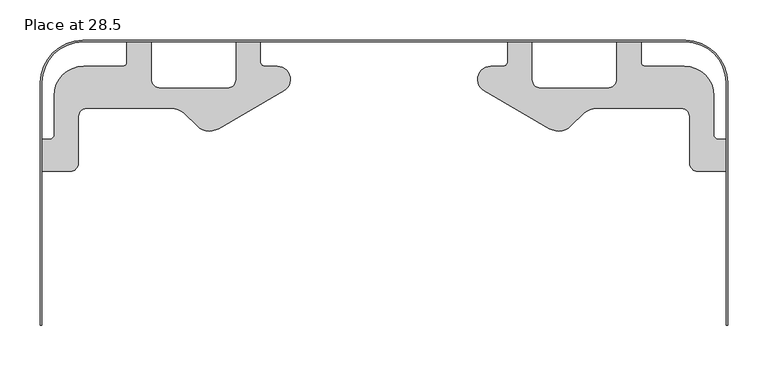
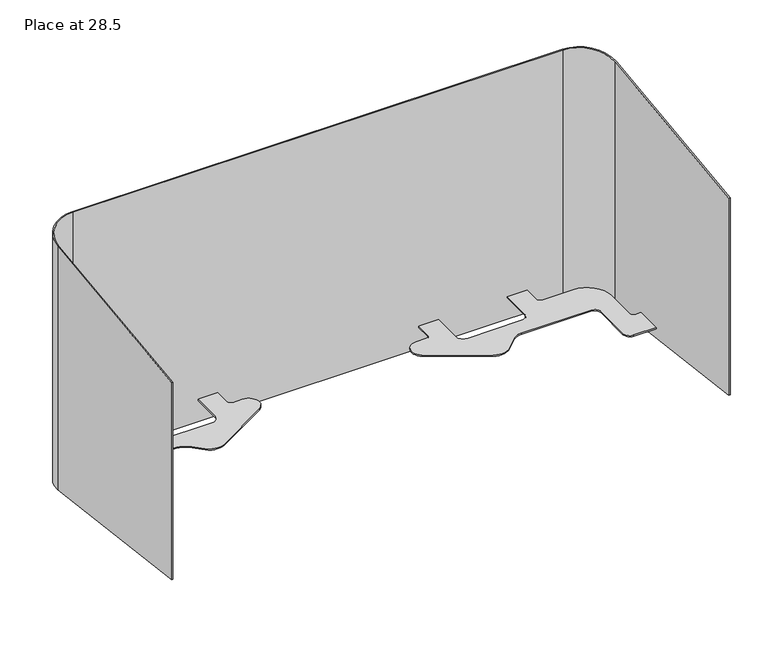
"""IFC4 building model written with IfcOpenShell, lengths in millimetres: furniture geometry, Place at 28.5."""

from ifc_helpers import new_model, si_unit, point, frame, frame_2d, origin, place, context, project, spatial, polyline, circle_curve, ellipse_curve, trimmed, segment, composite_curve, outline, extrude, source, transform, mapped, element, save
from ifc_brep_helpers import plane_surface, cylinder_surface, revolved_surface, advanced_brep


def place_at_28_5_1b0d58f5(model_context):
    return source(origin(), model_context, "Body", "SolidModel", [
        advanced_brep(
        [(-424.7499822, -390.4105084, 710.088606), (-422.8449822, -390.4105084, 710.088606), (-422.8449822, -390.4105084, 1027.3204815), (-424.7499822, -390.4105084, 1027.3204815), (-422.8449822, -90.1934822, 673.2265903), (-422.8449822, -90.1934822, 1064.1824972), (-372.6565, -40.005, 667.0642195), (-372.6565, -40.005, 1070.344868), (372.8163407, -40.005, 667.0642195), (372.8163407, -40.005, 1070.344868), (422.8449822, -90.0336414, 673.2069643), (422.8449822, -90.0336414, 1064.2021232), (422.8449822, -390.4105084, 710.088606), (422.8449822, -390.4105084, 1027.3204815), (424.7499822, -390.4105084, 710.088606), (424.7499822, -390.4105084, 1027.3204815), (424.7499822, -90.0336414, 673.2069643), (424.7499822, -90.0336414, 1064.2021232), (372.8163407, -38.1, 666.8303149), (372.8163407, -38.1, 1070.5787726), (-372.6565, -38.1, 666.8303149), (-372.6565, -38.1, 1070.5787726), (-424.7499822, -90.1934822, 673.2265903), (-424.7499822, -90.1934822, 1064.1824972)],
        [
            (0, 1),
            (1, 2),
            (2, 3),
            (3, 0),
            (1, 4),
            (4, 5),
            (5, 2),
            (4, 6, ellipse_curve(frame((-372.6565, -90.1934822, 673.2265903), z_axis=(0.0, -0.12186934340515056, -0.9925461516413218), x_axis=(0.0, 0.9925461516413219, -0.12186934340514852)), 50.5653889, 50.1884822)),
            (6, 7),
            (7, 5, ellipse_curve(frame((-372.6565, -90.1934822, 1064.1824972), z_axis=(0.0, -0.12186934340514498, 0.9925461516413223), x_axis=(0.0, -0.9925461516413223, -0.12186934340514498)), 50.5653889, 50.1884822)),
            (6, 8),
            (8, 9),
            (9, 7),
            (8, 10, ellipse_curve(frame((372.8163407, -90.0336414, 673.2069643), z_axis=(0.0, -0.12186934340515056, -0.9925461516413218), x_axis=(0.0, 0.9925461516413219, -0.12186934340514852)), 50.4043478, 50.0286414)),
            (10, 11),
            (11, 9, ellipse_curve(frame((372.8163407, -90.0336414, 1064.2021232), z_axis=(0.0, -0.12186934340514498, 0.9925461516413223), x_axis=(0.0, -0.9925461516413223, -0.12186934340514498)), 50.4043478, 50.0286414)),
            (10, 12),
            (12, 13),
            (13, 11),
            (12, 14),
            (14, 15),
            (15, 13),
            (14, 16),
            (16, 17),
            (17, 15),
            (16, 18, ellipse_curve(frame((372.8163407, -90.0336414, 673.2069643), z_axis=(0.0, 0.12186934340515056, 0.9925461516413218), x_axis=(0.0, -0.9925461516413219, 0.12186934340514852)), 52.323654, 51.9336414)),
            (18, 19),
            (19, 17, ellipse_curve(frame((372.8163407, -90.0336414, 1064.2021232), z_axis=(0.0, 0.12186934340514498, -0.9925461516413223), x_axis=(0.0, 0.9925461516413223, 0.12186934340514498)), 52.323654, 51.9336414)),
            (18, 20),
            (20, 21),
            (21, 19),
            (20, 22, ellipse_curve(frame((-372.6565, -90.1934822, 673.2265903), z_axis=(0.0, 0.12186934340515056, 0.9925461516413218), x_axis=(0.0, -0.9925461516413219, 0.12186934340514852)), 52.4846951, 52.0934822)),
            (22, 23),
            (23, 21, ellipse_curve(frame((-372.6565, -90.1934822, 1064.1824972), z_axis=(0.0, 0.12186934340514498, -0.9925461516413223), x_axis=(0.0, 0.9925461516413223, 0.12186934340514498)), 52.4846951, 52.0934822)),
            (22, 0),
            (3, 23),
        ],
        [
            plane_surface(frame((-424.7499822, -390.4105084, 1071.7704815), z_axis=(0.0, -1.0, 0.0), x_axis=(0.0, 0.0, -1.0))),
            plane_surface(frame((-422.8449822, -390.4105084, 1071.7704815), z_axis=(1.0, 0.0, 0.0), x_axis=(0.0, 0.0, -1.0))),
            revolved_surface(polyline([(-322.4680178, -90.1934822, 667.0642195), (-322.4680178, -90.1934822, 1070.344868)]), (-372.6565, -90.1934822, 666.3705173), (0.0, 0.0, -1.0)),
            plane_surface(frame((-372.6565, -40.005, 1071.7704815), z_axis=(0.0, -1.0, 0.0), x_axis=(0.0, 0.0, -1.0))),
            revolved_surface(polyline([(422.84498210000004, -90.0336414, 667.0642195), (422.84498210000004, -90.0336414, 1070.344868)]), (372.8163407, -90.0336414, 666.3705173), (0.0, 0.0, -1.0)),
            plane_surface(frame((422.8449822, -90.0336414, 1071.7704815), z_axis=(-1.0, 0.0, 0.0), x_axis=(0.0, 0.0, -1.0))),
            plane_surface(frame((422.8449822, -390.4105084, 1071.7704815), z_axis=(0.0, -1.0, 0.0), x_axis=(0.0, 0.0, -1.0))),
            plane_surface(frame((424.7499822, -390.4105084, 1071.7704815), z_axis=(1.0, 0.0, 0.0), x_axis=(0.0, 0.0, -1.0))),
            cylinder_surface(frame((372.8163407, -90.0336414, 666.3705173), z_axis=(0.0, 0.0, 1.0), x_axis=(1.0, 0.0, 0.0)), 51.9336414),
            plane_surface(frame((372.8163407, -38.1, 1071.7704815), z_axis=(0.0, 1.0, 0.0), x_axis=(0.0, 0.0, -1.0))),
            cylinder_surface(frame((-372.6565, -90.1934822, 666.3705173), z_axis=(0.0, 0.0, 1.0), x_axis=(1.0, 0.0, 0.0)), 52.0934822),
            plane_surface(frame((-424.7499822, -90.1934822, 1071.7704815), z_axis=(-1.0, 0.0, 0.0), x_axis=(0.0, 0.0, -1.0))),
            plane_surface(frame((549.1255757, -34.6096014, 666.4017479), z_axis=(0.0, -0.12186934340515056, -0.9925461516413218), x_axis=(-1.0, 0.0, 0.0))),
            plane_surface(frame((549.1255757, -421.9596014, 1023.44674), z_axis=(0.0, -0.12186934340514498, 0.9925461516413223), x_axis=(-1.0, 0.0, 0.0))),
        ],
        [
            (0, [[1, 2, 3, 4]]),
            (1, [[5, 6, 7, -2]]),
            (2, [[8, 9, 10, -6]]),
            (3, [[11, 12, 13, -9]]),
            (4, [[14, 15, 16, -12]]),
            (5, [[17, 18, 19, -15]]),
            (6, [[20, 21, 22, -18]]),
            (7, [[23, 24, 25, -21]]),
            (8, [[26, 27, 28, -24]]),
            (9, [[29, 30, 31, -27]]),
            (10, [[32, 33, 34, -30]]),
            (11, [[35, -4, 36, -33]]),
            (12, [[-1, -35, -32, -29, -26, -23, -20, -17, -14, -11, -8, -5]]),
            (13, [[-3, -7, -10, -13, -16, -19, -22, -25, -28, -31, -34, -36]]),
        ],
    ),
        extrude(outline(composite_curve([segment(polyline([(377.8500106, -189.5506051), (377.8500106, -132.1227276)]), True, "CONTINUOUS"), segment(trimmed(circle_curve(frame_2d((367.7272854, -132.1227276)), 10.1227252), [point((377.8500106, -132.1227276))], [point((367.7272854, -122.0000024))], True, "CARTESIAN"), True, "CONTINUOUS"), segment(polyline([(367.7272854, -122.0000024), (262.7622033, -122.0000024)]), True, "CONTINUOUS"), segment(trimmed(circle_curve(frame_2d((262.7622033, -144.4794156)), 22.4794132), [point((262.7622033, -122.0000024))], [point((247.1679582, -128.2885682))], True, "CARTESIAN"), True, "CONTINUOUS"), segment(polyline([(247.1679582, -128.2885682), (231.0595176, -143.8034431)]), True, "CONTINUOUS"), segment(trimmed(circle_curve(frame_2d((215.640896, -127.7949381)), 22.2262485), [point((231.0595176, -143.8034431))], [point((204.5277724, -147.0434344))], False, "CARTESIAN"), True, "CONTINUOUS"), segment(polyline([(204.5277724, -147.0434344), (123.9576331, -100.5262465)]), True, "CONTINUOUS"), segment(trimmed(circle_curve(frame_2d((132.1371153, -86.3589667)), 16.3589653), [point((123.9576331, -100.5262465))], [point((132.1371153, -70.0000014))], False, "CARTESIAN"), True, "CONTINUOUS"), segment(polyline([(132.1371153, -70.0000014), (147.1933366, -70.0000014)]), True, "CONTINUOUS"), segment(trimmed(circle_curve(frame_2d((147.1933366, -64.3433291)), 5.6566723), [point((147.1933366, -70.0000014))], [point((152.8500089, -64.3433291))], True, "CARTESIAN"), True, "CONTINUOUS"), segment(polyline([(152.8500089, -64.3433291), (152.8500089, -40.005), (182.8499946, -40.005), (182.8499946, -86.236259)]), True, "CONTINUOUS"), segment(trimmed(circle_curve(frame_2d((193.6137378, -86.236259)), 10.7637432), [point((182.8499946, -86.236259))], [point((193.6137378, -97.0000022))], True, "CARTESIAN"), True, "CONTINUOUS"), segment(polyline([(193.6137378, -97.0000022), (276.5292298, -97.0000022)]), True, "CONTINUOUS"), segment(trimmed(circle_curve(frame_2d((276.5292298, -85.679233)), 11.3207692), [point((276.5292298, -97.0000022))], [point((287.849999, -85.679233))], True, "CARTESIAN"), True, "CONTINUOUS"), segment(polyline([(287.849999, -85.679233), (287.849999, -40.005), (317.8500029, -40.005), (317.8500029, -64.8793041)]), True, "CONTINUOUS"), segment(trimmed(circle_curve(frame_2d((322.9707002, -64.8793041)), 5.1206974), [point((317.8500029, -64.8793041))], [point((322.9707002, -70.0000014))], True, "CARTESIAN"), True, "CONTINUOUS"), segment(polyline([(322.9707002, -70.0000014), (371.4800596, -70.0000014)]), True, "CONTINUOUS"), segment(trimmed(circle_curve(frame_2d((371.4800596, -106.3699381)), 36.3699366), [point((371.4800596, -70.0000014))], [point((407.8499963, -106.3699381))], False, "CARTESIAN"), True, "CONTINUOUS"), segment(polyline([(407.8499963, -106.3699381), (407.8499963, -154.8908183)]), True, "CONTINUOUS"), segment(trimmed(circle_curve(frame_2d((412.9591865, -154.8908183)), 5.1091902), [point((407.8499963, -154.8908183))], [point((412.9591865, -160.0000085))], True, "CARTESIAN"), True, "CONTINUOUS"), segment(polyline([(412.9591865, -160.0000085), (422.8449822, -160.0000085), (422.8449822, -200.0000015), (388.299407, -200.0000015)]), True, "CONTINUOUS"), segment(trimmed(circle_curve(frame_2d((388.299407, -189.5506051)), 10.4493964), [point((388.299407, -200.0000015))], [point((377.8500106, -189.5506051))], False, "CARTESIAN"), True, "CONTINUOUS")], self_intersect=False)), frame((0.0, 0.0, 701.8705307), z_axis=(0.0, 0.0, 1.0), x_axis=(1.0, 0.0, 0.0)), (0.0, 0.0, 1.0), 1.8999567),
        extrude(outline(composite_curve([segment(trimmed(circle_curve(frame_2d((-388.299407, -189.5506051)), 10.4493964), [point((-377.8500106, -189.5506051))], [point((-388.299407, -200.0000015))], False, "CARTESIAN"), True, "CONTINUOUS"), segment(polyline([(-388.299407, -200.0000015), (-422.8449822, -200.0000015), (-422.8449822, -160.0000085), (-412.9591865, -160.0000085)]), True, "CONTINUOUS"), segment(trimmed(circle_curve(frame_2d((-412.9591865, -154.8908183)), 5.1091902), [point((-412.9591865, -160.0000085))], [point((-407.8499963, -154.8908183))], True, "CARTESIAN"), True, "CONTINUOUS"), segment(polyline([(-407.8499963, -154.8908183), (-407.8499963, -106.3699381)]), True, "CONTINUOUS"), segment(trimmed(circle_curve(frame_2d((-371.4800596, -106.3699381)), 36.3699366), [point((-407.8499963, -106.3699381))], [point((-371.4800596, -70.0000014))], False, "CARTESIAN"), True, "CONTINUOUS"), segment(polyline([(-371.4800596, -70.0000014), (-322.9707002, -70.0000014)]), True, "CONTINUOUS"), segment(trimmed(circle_curve(frame_2d((-322.9707002, -64.8793041)), 5.1206974), [point((-322.9707002, -70.0000014))], [point((-317.8500029, -64.8793041))], True, "CARTESIAN"), True, "CONTINUOUS"), segment(polyline([(-317.8500029, -64.8793041), (-317.8500029, -40.005), (-287.849999, -40.005), (-287.849999, -85.679233)]), True, "CONTINUOUS"), segment(trimmed(circle_curve(frame_2d((-276.5292298, -85.679233)), 11.3207692), [point((-287.849999, -85.679233))], [point((-276.5292298, -97.0000022))], True, "CARTESIAN"), True, "CONTINUOUS"), segment(polyline([(-276.5292298, -97.0000022), (-193.6137378, -97.0000022)]), True, "CONTINUOUS"), segment(trimmed(circle_curve(frame_2d((-193.6137378, -86.236259)), 10.7637432), [point((-193.6137378, -97.0000022))], [point((-182.8499946, -86.236259))], True, "CARTESIAN"), True, "CONTINUOUS"), segment(polyline([(-182.8499946, -86.236259), (-182.8499946, -40.005), (-152.8500089, -40.005), (-152.8500089, -64.3433291)]), True, "CONTINUOUS"), segment(trimmed(circle_curve(frame_2d((-147.1933366, -64.3433291)), 5.6566723), [point((-152.8500089, -64.3433291))], [point((-147.1933366, -70.0000014))], True, "CARTESIAN"), True, "CONTINUOUS"), segment(polyline([(-147.1933366, -70.0000014), (-132.1371153, -70.0000014)]), True, "CONTINUOUS"), segment(trimmed(circle_curve(frame_2d((-132.1371153, -86.3589667)), 16.3589653), [point((-132.1371153, -70.0000014))], [point((-123.9576331, -100.5262465))], False, "CARTESIAN"), True, "CONTINUOUS"), segment(polyline([(-123.9576331, -100.5262465), (-204.5277724, -147.0434344)]), True, "CONTINUOUS"), segment(trimmed(circle_curve(frame_2d((-215.640896, -127.7949381)), 22.2262485), [point((-204.5277724, -147.0434344))], [point((-231.0595176, -143.8034431))], False, "CARTESIAN"), True, "CONTINUOUS"), segment(polyline([(-231.0595176, -143.8034431), (-247.1679582, -128.2885682)]), True, "CONTINUOUS"), segment(trimmed(circle_curve(frame_2d((-262.7622033, -144.4794156)), 22.4794132), [point((-247.1679582, -128.2885682))], [point((-262.7622033, -122.0000024))], True, "CARTESIAN"), True, "CONTINUOUS"), segment(polyline([(-262.7622033, -122.0000024), (-367.7272854, -122.0000024)]), True, "CONTINUOUS"), segment(trimmed(circle_curve(frame_2d((-367.7272854, -132.1227276)), 10.1227252), [point((-367.7272854, -122.0000024))], [point((-377.8500106, -132.1227276))], True, "CARTESIAN"), True, "CONTINUOUS"), segment(polyline([(-377.8500106, -132.1227276), (-377.8500106, -189.5506051)]), True, "CONTINUOUS")], self_intersect=False)), frame((0.0, 0.0, 701.8705307), z_axis=(0.0, 0.0, 1.0), x_axis=(1.0, 0.0, 0.0)), (0.0, 0.0, 1.0), 1.8999567),
    ])


if __name__ == "__main__":
    model = new_model("IFC4")
    model_context = context("Model", 3, world=origin())
    ifc_project = project(units=[si_unit("LENGTHUNIT", "METRE", prefix="MILLI")], contexts=[model_context])
    site = spatial("IfcSite", under=ifc_project)
    building = spatial("IfcBuilding", under=site)
    placement = place(None, origin())
    place_at_28_5_shape = place_at_28_5_1b0d58f5(model_context)
    element("IfcFurniture", 1, ObjectType="Place at 28.5", at=placement, inside=building, context=model_context, shape_type="MappedRepresentation", body=[
        mapped(place_at_28_5_shape, transform((0.0, 0.0, 0.0), x_axis=(1.0, 0.0, 0.0), y_axis=(0.0, 1.0, 0.0), z_axis=(0.0, 0.0, 1.0))),
    ])
    save(model, "model.ifc")
